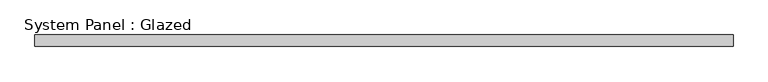
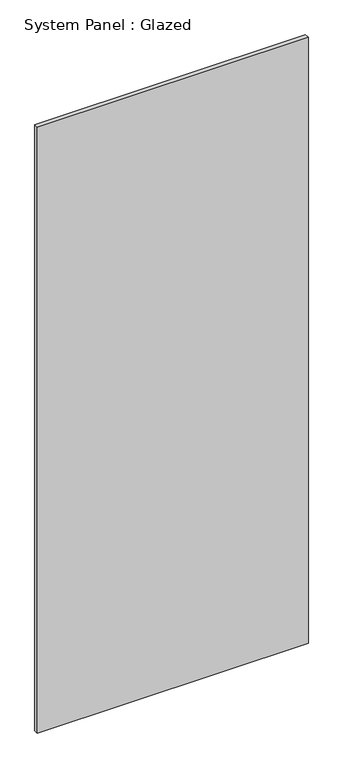
"""IFC4 building model written with IfcOpenShell, lengths in millimetres: plate geometry, System Panel : Glazed."""

from ifc_helpers import new_model, si_unit, origin, origin_with_axes, place, context, project, spatial, polyline, outline, extrude, source, transform, mapped, element, save


def system_panel_glazed_7bc3d805(model_context):
    return source(origin(), model_context, "Body", "SweptSolid", [
        extrude(outline(polyline([(773.7881809, 19.05), (-773.7881809, 19.05), (-773.7881809, 44.45), (773.7881809, 44.45), (773.7881809, 19.05)])), origin_with_axes(), (0.0, 0.0, 1.0), 3657.6),
    ])


if __name__ == "__main__":
    model = new_model("IFC4")
    model_context = context("Model", 3, world=origin())
    ifc_project = project(units=[si_unit("LENGTHUNIT", "METRE", prefix="MILLI")], contexts=[model_context])
    site = spatial("IfcSite", under=ifc_project)
    building = spatial("IfcBuilding", under=site)
    placement = place(None, origin())
    system_panel_glazed_shape = system_panel_glazed_7bc3d805(model_context)
    element("IfcPlate", 1, ObjectType="System Panel : Glazed", at=placement, inside=building, context=model_context, shape_type="MappedRepresentation", body=[
        mapped(system_panel_glazed_shape, transform((0.0, 0.0, 0.0), x_axis=(1.0, 0.0, 0.0), y_axis=(0.0, 1.0, 0.0), z_axis=(0.0, 0.0, 1.0))),
    ])
    save(model, "model.ifc")
